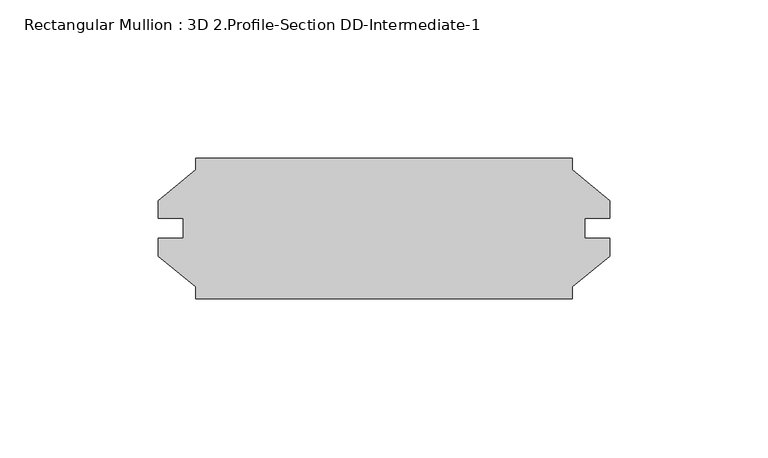
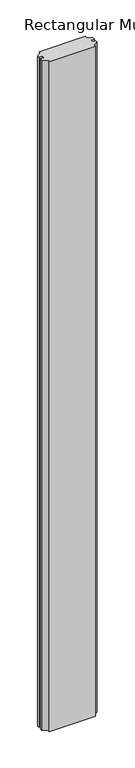
"""IFC4 building model written with IfcOpenShell, lengths in millimetres: member geometry, Rectangular Mullion : 3D 2.Profile-Section DD-Intermediate-1."""

from ifc_helpers import new_model, si_unit, frame, origin, place, context, project, spatial, polyline, outline, extrude, source, transform, mapped, element, save


def rectangular_mullion_3d_2_profile_section_dd_intermediate_1_878640dd(model_context):
    return source(origin(), model_context, "Body", "SweptSolid", [
        extrude(outline(polyline([(-15.6806426, -18.563286), (-15.6806426, -22.26945), (-134.7304426, -22.26945), (-134.7304426, -18.563286), (-146.6366926, -8.79475), (-146.6366926, -3.21945), (-138.6928426, -3.21945), (-138.6928426, 3.13055), (-146.6366926, 3.13055), (-146.6366926, 8.70585), (-134.7304426, 18.474386), (-134.7304426, 22.18055), (-15.6806426, 22.18055), (-15.6806426, 18.474386), (-3.7743926, 8.70585), (-3.7743926, 3.13055), (-11.7182426, 3.13055), (-11.7182426, -3.21945), (-3.7743926, -3.21945), (-3.7743926, -8.79475), (-15.6806426, -18.563286)])), frame((0.0, 0.0, -1828.00625), z_axis=(0.0, 0.0, 1.0), x_axis=(1.0, 0.0, 0.0)), (0.0, 0.0, 1.0), 1828.00625),
    ])


if __name__ == "__main__":
    model = new_model("IFC4")
    model_context = context("Model", 3, world=origin())
    ifc_project = project(units=[si_unit("LENGTHUNIT", "METRE", prefix="MILLI")], contexts=[model_context])
    site = spatial("IfcSite", under=ifc_project)
    building = spatial("IfcBuilding", under=site)
    placement = place(None, origin())
    rectangular_mullion_3d_2_profile_section_dd_intermediate_1_shape = rectangular_mullion_3d_2_profile_section_dd_intermediate_1_878640dd(model_context)
    element("IfcMember", 1, ObjectType="Rectangular Mullion : 3D 2.Profile-Section DD-Intermediate-1", at=placement, inside=building, context=model_context, shape_type="MappedRepresentation", body=[
        mapped(rectangular_mullion_3d_2_profile_section_dd_intermediate_1_shape, transform((0.0, 0.0, 0.0), x_axis=(1.0, 0.0, 0.0), y_axis=(0.0, 1.0, 0.0), z_axis=(0.0, 0.0, 1.0))),
    ])
    save(model, "model.ifc")
